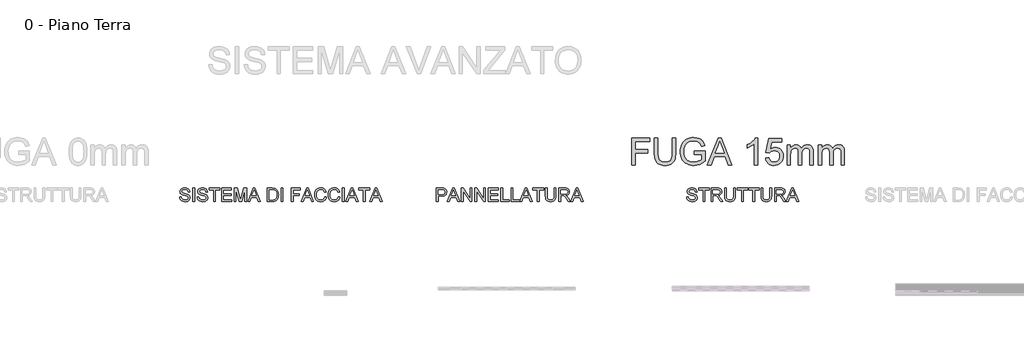
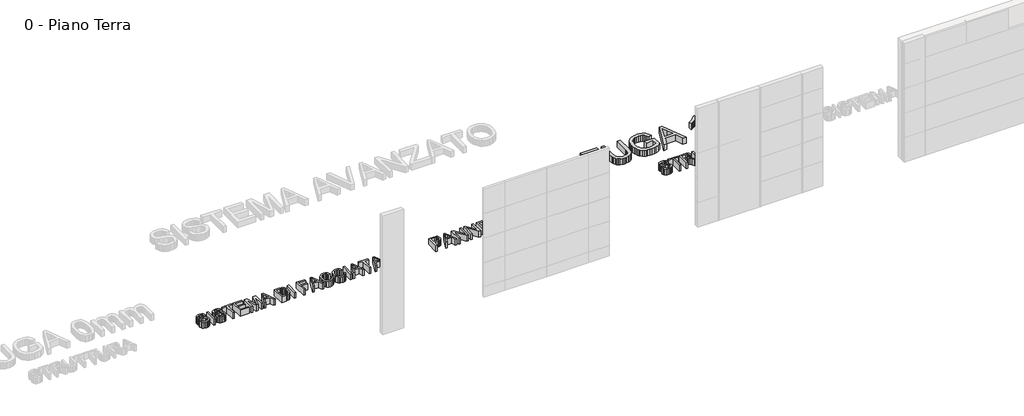
# One storey, part 16 of 17: 4 proxies.
"""IFC4 building model written with IfcOpenShell, lengths in millimetres."""

from ifc_helpers import new_model, si_unit, origin, origin_with_axes, place, context, project, spatial, polyline, outline, extrude, element, save

model = new_model("IFC4")

# Units and contexts
model_context = context("Model", 3, world=origin())
ifc_project = project(units=[si_unit("LENGTHUNIT", "METRE", prefix="MILLI")], contexts=[model_context])

# Site, building, storey
site = spatial("IfcSite", under=ifc_project)
building = spatial("IfcBuilding", under=site)
storey = spatial("IfcBuildingStorey", under=building, Name="0 - Piano Terra", Elevation=0.0)

# Proxies
placement = place(None, origin())
element("IfcBuildingElementProxy", 1, Name="Testo modello 1", ObjectType="Testo modello 1", at=placement, inside=storey, context=model_context, shape_type="SweptSolid", body=[
    extrude(outline(polyline([(6682.9112396, 14068.917457), (6682.9112396, 14659.6866878), (7079.8343165, 14659.6866878), (7079.8343165, 14585.8405339), (6756.7573935, 14585.8405339), (6756.7573935, 14410.4559185), (7033.6804704, 14410.4559185), (7033.6804704, 14336.6097647), (6756.7573935, 14336.6097647), (6756.7573935, 14068.917457), (6682.9112396, 14068.917457)])), origin_with_axes(), (0.0, 0.0, 1.0), 150.0),
    extrude(outline(polyline([(7569.0650858, 14659.6866878), (7642.9112396, 14659.6866878), (7642.9112396, 14318.8693801), (7637.8992204, 14239.0556782), (7631.6341963, 14206.0313392), (7622.8631627, 14177.5953416), (7610.8289079, 14152.6704618), (7594.7742204, 14130.1794762), (7574.6991002, 14110.1223849), (7550.6035473, 14092.4991878), (7522.4605185, 14078.143719), (7490.2429704, 14067.8898128), (7453.9509031, 14061.737469), (7413.5843165, 14059.6866878), (7374.2138238, 14061.4715435), (7338.6023454, 14066.8261109), (7306.7498814, 14075.7503897), (7278.6564319, 14088.2443801), (7254.3174896, 14104.1232863), (7233.7285473, 14123.2023128), (7216.889605, 14145.4814594), (7203.8006627, 14170.9607262), (7193.9884632, 14200.5145123), (7186.9797492, 14235.0172166), (7181.3727781, 14318.8693801), (7181.3727781, 14659.6866878), (7255.2189319, 14659.6866878), (7255.2189319, 14321.4655339), (7258.8607588, 14255.1013512), (7269.7862396, 14208.8934185), (7278.3769848, 14191.8606661), (7289.5819127, 14176.8922166), (7303.4010233, 14163.98807), (7319.8343165, 14153.1482262), (7359.2814319, 14138.4366878), (7406.6612396, 14133.5328416), (7447.3613598, 14135.9577214), (7481.7694127, 14143.2323609), (7509.8853983, 14155.3567599), (7531.7093165, 14172.3309185), (7548.0524656, 14196.2011109), (7559.7261435, 14229.0136109), (7566.7303502, 14270.7684185), (7569.0650858, 14321.4655339), (7569.0650858, 14659.6866878)])), origin_with_axes(), (0.0, 0.0, 1.0), 150.0),
    extrude(outline(polyline([(8049.0650858, 14299.6866878), (8049.0650858, 14373.5328416), (8289.0650858, 14373.5328416), (8289.0650858, 14152.7155339), (8230.7417685, 14112.1506301), (8170.5795088, 14083.0520724), (8108.7225377, 14065.5280339), (8045.3150858, 14059.6866878), (8002.897718, 14062.0079017), (7962.4725377, 14068.9715435), (7924.0395449, 14080.5776133), (7887.5987396, 14096.8261109), (7854.326504, 14117.4736469), (7825.3992204, 14142.276832), (7800.8168887, 14171.2356661), (7780.5795088, 14204.3501493), (7764.772718, 14240.5610868), (7753.4821531, 14278.8092839), (7746.7078141, 14319.0947407), (7744.4497012, 14361.417457), (7746.6987997, 14403.7446806), (7753.4460954, 14444.620582), (7764.6915882, 14484.0451613), (7780.4352781, 14522.0184185), (7800.397718, 14556.8726854), (7824.2994608, 14586.9402935), (7852.1405064, 14612.2212431), (7883.920855, 14632.7155339), (7918.9509031, 14648.5538753), (7956.5410473, 14659.8669762), (7996.6912877, 14666.6548368), (8039.4016242, 14668.917457), (8100.2309512, 14663.6710628), (8154.9304704, 14647.9318801), (8200.9941723, 14622.8357262), (8219.8478382, 14607.2047166), (8235.9160473, 14589.5184185), (8261.7513838, 14546.3753897), (8280.5554704, 14491.8020724), (8212.4785473, 14472.6193801), (8197.28023, 14511.5436589), (8178.8006627, 14540.9126493), (8154.3535473, 14563.0520724), (8121.2525858, 14580.2876493), (8081.7874415, 14591.3753897), (8038.2477781, 14595.0713032), (7987.28023, 14591.0869282), (7943.7045088, 14579.1338032), (7907.6828742, 14560.7083224), (7879.3775858, 14537.3068801), (7857.6528262, 14510.1374089), (7841.3727781, 14480.4078416), (7824.0650858, 14424.6626493), (7818.295855, 14364.4463032), (7820.0311314, 14327.5728056), (7825.2369608, 14293.8273128), (7833.913343, 14263.2098248), (7846.0602781, 14235.7203416), (7861.5200137, 14211.4625291), (7880.1347973, 14190.5400532), (7901.904629, 14172.9529137), (7926.8295088, 14158.7011109), (7953.7420689, 14147.6899931), (7981.4749415, 14139.8249089), (8010.0281266, 14135.1058584), (8039.4016242, 14133.5328416), (8090.5494608, 14138.2744282), (8140.4352781, 14152.4991878), (8183.7585954, 14172.0965435), (8215.2189319, 14192.9559185), (8215.2189319, 14299.6866878), (8049.0650858, 14299.6866878)])), origin_with_axes(), (0.0, 0.0, 1.0), 150.0),
    extrude(outline(polyline([(8340.2670088, 14068.917457), (8576.0843165, 14659.6866878), (8638.9689319, 14659.6866878), (8874.7862396, 14068.917457), (8796.7573935, 14068.917457), (8729.1131627, 14253.5328416), (8485.795855, 14253.5328416), (8418.295855, 14068.917457), (8340.2670088, 14068.917457)]), holes=[polyline([(8512.9112396, 14327.3789955), (8702.1420088, 14327.3789955), (8648.920855, 14472.6193801), (8607.5266242, 14585.8405339), (8570.7477781, 14485.3116878), (8512.9112396, 14327.3789955)])]), origin_with_axes(), (0.0, 0.0, 1.0), 150.0),
    extrude(outline(polyline([(9433.6804704, 14068.917457), (9359.8343165, 14068.917457), (9359.8343165, 14529.3020724), (9329.0049896, 14504.3681782), (9289.8823935, 14479.4703416), (9248.8126819, 14457.7095243), (9212.1420088, 14442.1866878), (9212.1420088, 14511.9943801), (9270.1408069, 14543.5448609), (9320.3872012, 14581.0809185), (9359.9965762, 14620.9967839), (9386.0843165, 14659.6866878), (9433.6804704, 14659.6866878), (9433.6804704, 14068.917457)])), origin_with_axes(), (0.0, 0.0, 1.0), 150.0),
    extrude(outline(polyline([(9609.0650858, 14225.8405339), (9682.9112396, 14235.0713032), (9688.4280665, 14211.33182), (9696.4689319, 14190.7383705), (9707.0338358, 14173.2909546), (9720.1227781, 14158.9895724), (9735.7087156, 14147.8522527), (9753.764605, 14139.8970243), (9774.2904463, 14135.1238873), (9797.2862396, 14133.5328416), (9825.4112396, 14135.7458825), (9850.2189319, 14142.3850051), (9871.7093165, 14153.4502094), (9889.8823935, 14168.9414955), (9904.3325137, 14188.0926373), (9914.6540281, 14210.1374089), (9920.8469367, 14235.0758104), (9922.9112396, 14262.9078416), (9920.9776459, 14289.2119282), (9915.1768646, 14312.5953416), (9905.5088959, 14333.058082), (9891.9737396, 14350.6001493), (9874.5263238, 14364.6716637), (9853.1215762, 14374.7227455), (9827.7594968, 14380.7533945), (9798.4400858, 14382.7636109), (9762.6167685, 14379.5544762), (9733.608355, 14369.9270724), (9710.4412877, 14355.1794762), (9692.1420088, 14336.6097647), (9618.295855, 14345.8405339), (9682.9112396, 14650.4559185), (9969.0650858, 14650.4559185), (9969.0650858, 14576.6097647), (9742.6227781, 14576.6097647), (9711.0362396, 14413.917457), (9737.0969367, 14432.5953416), (9763.7886435, 14445.9366878), (9791.1113598, 14453.9414955), (9819.0650858, 14456.6097647), (9855.0281266, 14453.3014714), (9888.06148, 14443.3765916), (9918.1651459, 14426.8351253), (9945.3391242, 14403.6770724), (9967.834617, 14375.3176974), (9983.9028262, 14343.1722647), (9993.5437516, 14307.2407743), (9996.7573935, 14267.5232262), (9993.8637637, 14229.2660147), (9985.1828742, 14193.6770724), (9970.7147252, 14160.7563993), (9950.4593165, 14130.5039955), (9919.7742204, 14099.5214234), (9883.9689319, 14077.3910147), (9843.0434512, 14064.1127695), (9796.9977781, 14059.6866878), (9758.8893045, 14062.5307383), (9724.46773, 14071.0628897), (9693.7330545, 14085.2831421), (9666.6852781, 14105.1914955), (9644.1807709, 14129.7963633), (9627.0759031, 14158.1061589), (9615.3706747, 14190.1208825), (9609.0650858, 14225.8405339)])), origin_with_axes(), (0.0, 0.0, 1.0), 150.0),
    extrude(outline(polyline([(10079.8343165, 14068.917457), (10079.8343165, 14502.7636109), (10153.6804704, 14502.7636109), (10153.6804704, 14431.3693801), (10175.8920088, 14464.1638512), (10204.4497012, 14489.854957), (10238.3799896, 14506.4595243), (10276.7093165, 14511.9943801), (10317.7790281, 14506.3513512), (10335.2579944, 14499.2975652), (10350.6997012, 14489.4222647), (10375.2910473, 14462.3249089), (10391.3727781, 14426.1770724), (10418.2898454, 14463.7221445), (10448.9929704, 14490.5400532), (10483.4821531, 14506.6307984), (10521.7573935, 14511.9943801), (10551.3201939, 14509.7633104), (10577.2682108, 14503.0701012), (10599.6014439, 14491.9147527), (10618.3198935, 14476.2972647), (10633.1170689, 14456.0373488), (10643.68648, 14430.9547166), (10650.0281266, 14401.0493681), (10652.1420088, 14366.3213032), (10652.1420088, 14068.917457), (10578.295855, 14068.917457), (10578.295855, 14334.5905339), (10576.5831146, 14371.4234666), (10571.4448935, 14396.2491878), (10561.8174896, 14413.2503897), (10546.6372012, 14426.6097647), (10527.1119608, 14435.2636109), (10504.4497012, 14438.1482262), (10483.522718, 14436.3002695), (10464.4436915, 14430.7563993), (10447.2126218, 14421.5166157), (10431.8295088, 14408.5809185), (10419.1777661, 14391.5707022), (10410.1408069, 14370.1073609), (10404.7186314, 14344.1908945), (10402.9112396, 14313.8213032), (10402.9112396, 14068.917457), (10329.0650858, 14068.917457), (10329.0650858, 14342.8116878), (10324.7922492, 14384.5664955), (10311.9737396, 14414.3501493), (10302.0623814, 14424.761808), (10289.4196531, 14432.198707), (10274.0455545, 14436.6608464), (10255.9400858, 14438.1482262), (10227.4905665, 14434.1818801), (10201.2766242, 14422.2828416), (10179.6420088, 14402.7395724), (10164.9304704, 14375.8405339), (10156.4929704, 14338.5208224), (10153.6804704, 14287.7155339), (10153.6804704, 14068.917457), (10079.8343165, 14068.917457)])), origin_with_axes(), (0.0, 0.0, 1.0), 150.0),
    extrude(outline(polyline([(10762.9112396, 14068.917457), (10762.9112396, 14502.7636109), (10836.7573935, 14502.7636109), (10836.7573935, 14431.3693801), (10858.9689319, 14464.1638512), (10887.5266242, 14489.854957), (10921.4569127, 14506.4595243), (10959.7862396, 14511.9943801), (11000.8559512, 14506.3513512), (11018.3349175, 14499.2975652), (11033.7766242, 14489.4222647), (11058.3679704, 14462.3249089), (11074.4497012, 14426.1770724), (11101.3667685, 14463.7221445), (11132.0698935, 14490.5400532), (11166.5590762, 14506.6307984), (11204.8343165, 14511.9943801), (11234.397117, 14509.7633104), (11260.3451338, 14503.0701012), (11282.678367, 14491.9147527), (11301.3968165, 14476.2972647), (11316.193992, 14456.0373488), (11326.7634031, 14430.9547166), (11333.1050497, 14401.0493681), (11335.2189319, 14366.3213032), (11335.2189319, 14068.917457), (11261.3727781, 14068.917457), (11261.3727781, 14334.5905339), (11259.6600377, 14371.4234666), (11254.5218165, 14396.2491878), (11244.8944127, 14413.2503897), (11229.7141242, 14426.6097647), (11210.1888838, 14435.2636109), (11187.5266242, 14438.1482262), (11166.5996411, 14436.3002695), (11147.5206146, 14430.7563993), (11130.2895449, 14421.5166157), (11114.9064319, 14408.5809185), (11102.2546891, 14391.5707022), (11093.21773, 14370.1073609), (11087.7955545, 14344.1908945), (11085.9881627, 14313.8213032), (11085.9881627, 14068.917457), (11012.1420088, 14068.917457), (11012.1420088, 14342.8116878), (11007.8691723, 14384.5664955), (10995.0506627, 14414.3501493), (10985.1393045, 14424.761808), (10972.4965762, 14432.198707), (10957.1224776, 14436.6608464), (10939.0170088, 14438.1482262), (10910.5674896, 14434.1818801), (10884.3535473, 14422.2828416), (10862.7189319, 14402.7395724), (10848.0073935, 14375.8405339), (10839.5698935, 14338.5208224), (10836.7573935, 14287.7155339), (10836.7573935, 14068.917457), (10762.9112396, 14068.917457)])), origin_with_axes(), (0.0, 0.0, 1.0), 150.0),
])
element("IfcBuildingElementProxy", 2, Name="Testo modello 2", ObjectType="Testo modello 2", at=placement, inside=storey, context=model_context, shape_type="SweptSolid", body=[
    extrude(outline(polyline([(7885.7722411, 13370.4559185), (7922.695318, 13370.4559185), (7926.9320969, 13349.9661349), (7934.5943565, 13333.4967839), (7946.5474815, 13320.4258705), (7963.6568565, 13310.1313993), (7984.570318, 13303.4517118), (8007.9357026, 13301.2251493), (8028.5066161, 13302.9108464), (8046.5174334, 13307.9679378), (8061.1117844, 13315.9727455), (8071.4332988, 13326.5015916), (8077.5721209, 13338.589933), (8079.6183949, 13351.2732262), (8078.085943, 13363.6320003), (8073.4885872, 13374.3140916), (8064.1496449, 13383.4276734), (8048.3924334, 13391.0809185), (7994.6304142, 13405.1794762), (7959.3389478, 13414.5094041), (7936.757818, 13423.3886109), (7918.3774094, 13435.8104859), (7905.351568, 13450.8645724), (7897.5901497, 13468.2263512), (7895.0030103, 13487.5713032), (7898.2031305, 13509.1969041), (7907.8034911, 13529.3621685), (7923.5516882, 13546.4535147), (7945.195318, 13558.8573609), (7971.1748853, 13566.402433), (7999.9308949, 13568.917457), (8031.0847411, 13566.2852455), (8058.3443565, 13558.3886109), (8080.7361834, 13545.3898128), (8097.2866642, 13527.4511109), (8107.7614238, 13505.6902935), (8111.9260872, 13481.2251493), (8075.0030103, 13481.2251493), (8068.2241642, 13503.2563993), (8054.0895488, 13519.1578416), (8032.0042122, 13528.7852455), (8001.3732026, 13531.9943801), (7970.0210392, 13528.8213032), (7948.5126257, 13519.3020724), (7936.0727219, 13505.2936589), (7931.9260872, 13488.6530339), (7934.8647892, 13474.464332), (7943.6808949, 13463.0520724), (7964.5222411, 13452.8477455), (8003.9693565, 13442.4270724), (8069.3058949, 13423.8934185), (8090.3545728, 13410.4979859), (8105.039068, 13393.9655339), (8113.6658709, 13374.4763512), (8116.5414719, 13352.2107262), (8113.2331786, 13329.449308), (8103.3082988, 13308.0400532), (8087.1724815, 13289.6145724), (8065.2313757, 13275.8044762), (8038.8461594, 13267.1776734), (8009.3780103, 13264.3020724), (7973.2031305, 13267.4030339), (7943.4284911, 13276.7059185), (7919.711544, 13292.2467839), (7901.7097411, 13314.0616878), (7890.1532507, 13340.636207), (7885.7722411, 13370.4559185)])), origin_with_axes(), (0.0, 0.0, 1.0), 150.0),
    extrude(outline(polyline([(8245.7722411, 13268.917457), (8245.7722411, 13527.3789955), (8148.8491642, 13527.3789955), (8148.8491642, 13564.3020724), (8379.6183949, 13564.3020724), (8379.6183949, 13527.3789955), (8282.695318, 13527.3789955), (8282.695318, 13268.917457), (8245.7722411, 13268.917457)])), origin_with_axes(), (0.0, 0.0, 1.0), 150.0),
    extrude(outline(polyline([(8421.1568565, 13268.917457), (8421.1568565, 13564.3020724), (8548.4405103, 13564.3020724), (8582.6502459, 13562.3098849), (8607.539068, 13556.3333224), (8625.7301738, 13545.2996685), (8639.8467603, 13528.136207), (8648.9062555, 13506.8531541), (8651.9260872, 13483.4607262), (8646.9230824, 13454.3621685), (8631.914068, 13430.2395724), (8620.5446269, 13420.409344), (8606.4483228, 13412.5532743), (8570.0751257, 13402.7636109), (8591.0607026, 13386.9703416), (8620.9885872, 13348.9655339), (8670.2433949, 13268.917457), (8627.3347411, 13268.917457), (8588.8972411, 13330.1434185), (8561.132818, 13370.6722647), (8541.6256065, 13389.8188993), (8524.0655103, 13396.8501493), (8502.6472411, 13398.1482262), (8458.0799334, 13398.1482262), (8458.0799334, 13268.917457), (8421.1568565, 13268.917457)]), holes=[polyline([(8458.0799334, 13435.0713032), (8540.7241642, 13435.0713032), (8564.4591401, 13436.3783945), (8582.8756065, 13440.2996685), (8596.7397892, 13447.0965435), (8606.8179142, 13457.0304378), (8612.9567363, 13469.0466637), (8615.0030103, 13482.0905339), (8611.0997651, 13500.1013512), (8599.3900295, 13514.6145724), (8579.242794, 13524.1878897), (8550.0270488, 13527.3789955), (8458.0799334, 13527.3789955), (8458.0799334, 13435.0713032)])]), origin_with_axes(), (0.0, 0.0, 1.0), 150.0),
    extrude(outline(polyline([(8910.3876257, 13564.3020724), (8947.3107026, 13564.3020724), (8947.3107026, 13393.8934185), (8944.804693, 13353.9865676), (8937.2866642, 13323.2563993), (8923.242193, 13299.5484666), (8901.1568565, 13280.7083224), (8870.976568, 13268.4036349), (8832.6472411, 13264.3020724), (8795.1562555, 13267.8717839), (8765.1832988, 13278.5809185), (8742.7193565, 13296.0598849), (8727.7554142, 13319.9390916), (8719.3449574, 13351.9673368), (8716.5414719, 13393.8934185), (8716.5414719, 13564.3020724), (8753.4645488, 13564.3020724), (8753.4645488, 13395.1914955), (8755.2854622, 13362.0094041), (8760.7482026, 13338.9054378), (8770.6460392, 13322.9048368), (8785.7722411, 13311.0328416), (8805.4957988, 13303.6770724), (8829.1857026, 13301.2251493), (8866.7397892, 13306.0749089), (8880.7977819, 13312.1371084), (8891.7097411, 13320.6241878), (8899.8813156, 13332.5592839), (8905.7181545, 13348.9655339), (8910.3876257, 13395.1914955), (8910.3876257, 13564.3020724)])), origin_with_axes(), (0.0, 0.0, 1.0), 150.0),
    extrude(outline(polyline([(9085.7722411, 13268.917457), (9085.7722411, 13527.3789955), (8988.8491642, 13527.3789955), (8988.8491642, 13564.3020724), (9219.6183949, 13564.3020724), (9219.6183949, 13527.3789955), (9122.695318, 13527.3789955), (9122.695318, 13268.917457), (9085.7722411, 13268.917457)])), origin_with_axes(), (0.0, 0.0, 1.0), 150.0),
    extrude(outline(polyline([(9335.0030103, 13268.917457), (9335.0030103, 13527.3789955), (9238.0799334, 13527.3789955), (9238.0799334, 13564.3020724), (9468.8491642, 13564.3020724), (9468.8491642, 13527.3789955), (9371.9260872, 13527.3789955), (9371.9260872, 13268.917457), (9335.0030103, 13268.917457)])), origin_with_axes(), (0.0, 0.0, 1.0), 150.0),
    extrude(outline(polyline([(9704.2337795, 13564.3020724), (9741.1568565, 13564.3020724), (9741.1568565, 13393.8934185), (9738.6508469, 13353.9865676), (9731.132818, 13323.2563993), (9717.0883469, 13299.5484666), (9695.0030103, 13280.7083224), (9664.8227219, 13268.4036349), (9626.4933949, 13264.3020724), (9589.0024094, 13267.8717839), (9559.0294526, 13278.5809185), (9536.5655103, 13296.0598849), (9521.601568, 13319.9390916), (9513.1911113, 13351.9673368), (9510.3876257, 13393.8934185), (9510.3876257, 13564.3020724), (9547.3107026, 13564.3020724), (9547.3107026, 13395.1914955), (9549.1316161, 13362.0094041), (9554.5943565, 13338.9054378), (9564.492193, 13322.9048368), (9579.6183949, 13311.0328416), (9599.3419526, 13303.6770724), (9623.0318565, 13301.2251493), (9660.585943, 13306.0749089), (9674.6439358, 13312.1371084), (9685.5558949, 13320.6241878), (9693.7274694, 13332.5592839), (9699.5643084, 13348.9655339), (9704.2337795, 13395.1914955), (9704.2337795, 13564.3020724)])), origin_with_axes(), (0.0, 0.0, 1.0), 150.0),
    extrude(outline(polyline([(9805.7722411, 13268.917457), (9805.7722411, 13564.3020724), (9933.0558949, 13564.3020724), (9967.2656305, 13562.3098849), (9992.1544526, 13556.3333224), (10010.3455584, 13545.2996685), (10024.4621449, 13528.136207), (10033.5216401, 13506.8531541), (10036.5414719, 13483.4607262), (10031.538467, 13454.3621685), (10016.5294526, 13430.2395724), (10005.1600115, 13420.409344), (9991.0637074, 13412.5532743), (9954.6905103, 13402.7636109), (9975.6760872, 13386.9703416), (10005.6039719, 13348.9655339), (10054.8587795, 13268.917457), (10011.9501257, 13268.917457), (9973.5126257, 13330.1434185), (9945.7482026, 13370.6722647), (9926.2409911, 13389.8188993), (9908.6808949, 13396.8501493), (9887.2626257, 13398.1482262), (9842.695318, 13398.1482262), (9842.695318, 13268.917457), (9805.7722411, 13268.917457)]), holes=[polyline([(9842.695318, 13435.0713032), (9925.3395488, 13435.0713032), (9949.0745247, 13436.3783945), (9967.4909911, 13440.2996685), (9981.3551738, 13447.0965435), (9991.4332988, 13457.0304378), (9997.5721209, 13469.0466637), (9999.6183949, 13482.0905339), (9995.7151497, 13500.1013512), (9984.0054142, 13514.6145724), (9963.8581786, 13524.1878897), (9934.6424334, 13527.3789955), (9842.695318, 13527.3789955), (9842.695318, 13435.0713032)])]), origin_with_axes(), (0.0, 0.0, 1.0), 150.0),
    extrude(outline(polyline([(10066.757818, 13268.917457), (10184.6664719, 13564.3020724), (10216.1087795, 13564.3020724), (10334.0174334, 13268.917457), (10295.0030103, 13268.917457), (10261.1808949, 13361.2251493), (10139.5222411, 13361.2251493), (10105.7722411, 13268.917457), (10066.757818, 13268.917457)]), holes=[polyline([(10153.0799334, 13398.1482262), (10247.695318, 13398.1482262), (10221.0847411, 13470.7684185), (10200.3876257, 13527.3789955), (10181.9982026, 13477.1145724), (10153.0799334, 13398.1482262)])]), origin_with_axes(), (0.0, 0.0, 1.0), 150.0),
])
element("IfcBuildingElementProxy", 3, Name="Testo modello 2", ObjectType="Testo modello 2", at=placement, inside=storey, context=model_context, shape_type="SweptSolid", body=[
    extrude(outline(polyline([(-3204.0118373, 13370.4559185), (-3167.0887604, 13370.4559185), (-3162.8519815, 13349.9661349), (-3155.1897219, 13333.4967839), (-3143.2365969, 13320.4258705), (-3126.1272219, 13310.1313993), (-3105.2137604, 13303.4517118), (-3081.8483758, 13301.2251493), (-3061.2774623, 13302.9108464), (-3043.266645, 13307.9679378), (-3028.672294, 13315.9727455), (-3018.3507796, 13326.5015916), (-3012.2119575, 13338.589933), (-3010.1656835, 13351.2732262), (-3011.6981354, 13363.6320003), (-3016.2954912, 13374.3140916), (-3025.6344335, 13383.4276734), (-3041.391645, 13391.0809185), (-3095.1536642, 13405.1794762), (-3130.4451306, 13414.5094041), (-3153.0262604, 13423.3886109), (-3171.406669, 13435.8104859), (-3184.4325104, 13450.8645724), (-3192.1939287, 13468.2263512), (-3194.7810681, 13487.5713032), (-3191.5809479, 13509.1969041), (-3181.9805873, 13529.3621685), (-3166.2323902, 13546.4535147), (-3144.5887604, 13558.8573609), (-3118.6091931, 13566.402433), (-3089.8531835, 13568.917457), (-3058.6993373, 13566.2852455), (-3031.4397219, 13558.3886109), (-3009.047895, 13545.3898128), (-2992.4974142, 13527.4511109), (-2982.0226546, 13505.6902935), (-2977.8579912, 13481.2251493), (-3014.7810681, 13481.2251493), (-3021.5599142, 13503.2563993), (-3035.6945296, 13519.1578416), (-3057.7798662, 13528.7852455), (-3088.4108758, 13531.9943801), (-3119.7630392, 13528.8213032), (-3141.2714527, 13519.3020724), (-3153.7113565, 13505.2936589), (-3157.8579912, 13488.6530339), (-3154.9192892, 13474.464332), (-3146.1031835, 13463.0520724), (-3125.2618373, 13452.8477455), (-3085.8147219, 13442.4270724), (-3020.4781835, 13423.8934185), (-2999.4295056, 13410.4979859), (-2984.7450104, 13393.9655339), (-2976.1182075, 13374.4763512), (-2973.2426065, 13352.2107262), (-2976.5508998, 13329.449308), (-2986.4757796, 13308.0400532), (-3002.6115969, 13289.6145724), (-3024.5527027, 13275.8044762), (-3050.937919, 13267.1776734), (-3080.4060681, 13264.3020724), (-3116.5809479, 13267.4030339), (-3146.3555873, 13276.7059185), (-3170.0725344, 13292.2467839), (-3188.0743373, 13314.0616878), (-3199.6308277, 13340.636207), (-3204.0118373, 13370.4559185)])), origin_with_axes(), (0.0, 0.0, 1.0), 150.0),
    extrude(outline(polyline([(-2913.2426065, 13268.917457), (-2913.2426065, 13564.3020724), (-2876.3195296, 13564.3020724), (-2876.3195296, 13268.917457), (-2913.2426065, 13268.917457)])), origin_with_axes(), (0.0, 0.0, 1.0), 150.0),
    extrude(outline(polyline([(-2816.3195296, 13370.4559185), (-2779.3964527, 13370.4559185), (-2775.1596738, 13349.9661349), (-2767.4974142, 13333.4967839), (-2755.5442892, 13320.4258705), (-2738.4349142, 13310.1313993), (-2717.5214527, 13303.4517118), (-2694.1560681, 13301.2251493), (-2673.5851546, 13302.9108464), (-2655.5743373, 13307.9679378), (-2640.9799863, 13315.9727455), (-2630.6584719, 13326.5015916), (-2624.5196498, 13338.589933), (-2622.4733758, 13351.2732262), (-2624.0058277, 13363.6320003), (-2628.6031835, 13374.3140916), (-2637.9421258, 13383.4276734), (-2653.6993373, 13391.0809185), (-2707.4613565, 13405.1794762), (-2742.7528229, 13414.5094041), (-2765.3339527, 13423.3886109), (-2783.7143613, 13435.8104859), (-2796.7402027, 13450.8645724), (-2804.501621, 13468.2263512), (-2807.0887604, 13487.5713032), (-2803.8886402, 13509.1969041), (-2794.2882796, 13529.3621685), (-2778.5400825, 13546.4535147), (-2756.8964527, 13558.8573609), (-2730.9168854, 13566.402433), (-2702.1608758, 13568.917457), (-2671.0070296, 13566.2852455), (-2643.7474142, 13558.3886109), (-2621.3555873, 13545.3898128), (-2604.8051065, 13527.4511109), (-2594.3303469, 13505.6902935), (-2590.1656835, 13481.2251493), (-2627.0887604, 13481.2251493), (-2633.8676065, 13503.2563993), (-2648.0022219, 13519.1578416), (-2670.0875585, 13528.7852455), (-2700.7185681, 13531.9943801), (-2732.0707315, 13528.8213032), (-2753.579145, 13519.3020724), (-2766.0190488, 13505.2936589), (-2770.1656835, 13488.6530339), (-2767.2269815, 13474.464332), (-2758.4108758, 13463.0520724), (-2737.5695296, 13452.8477455), (-2698.1224142, 13442.4270724), (-2632.7858758, 13423.8934185), (-2611.7371979, 13410.4979859), (-2597.0527027, 13393.9655339), (-2588.4258998, 13374.4763512), (-2585.5502988, 13352.2107262), (-2588.8585921, 13329.449308), (-2598.7834719, 13308.0400532), (-2614.9192892, 13289.6145724), (-2636.860395, 13275.8044762), (-2663.2456113, 13267.1776734), (-2692.7137604, 13264.3020724), (-2728.8886402, 13267.4030339), (-2758.6632796, 13276.7059185), (-2782.3802267, 13292.2467839), (-2800.3820296, 13314.0616878), (-2811.93852, 13340.636207), (-2816.3195296, 13370.4559185)])), origin_with_axes(), (0.0, 0.0, 1.0), 150.0),
    extrude(outline(polyline([(-2456.3195296, 13268.917457), (-2456.3195296, 13527.3789955), (-2553.2426065, 13527.3789955), (-2553.2426065, 13564.3020724), (-2322.4733758, 13564.3020724), (-2322.4733758, 13527.3789955), (-2419.3964527, 13527.3789955), (-2419.3964527, 13268.917457), (-2456.3195296, 13268.917457)])), origin_with_axes(), (0.0, 0.0, 1.0), 150.0),
    extrude(outline(polyline([(-2280.9349142, 13268.917457), (-2280.9349142, 13564.3020724), (-2068.6272219, 13564.3020724), (-2068.6272219, 13527.3789955), (-2244.0118373, 13527.3789955), (-2244.0118373, 13439.6866878), (-2077.8579912, 13439.6866878), (-2077.8579912, 13402.7636109), (-2244.0118373, 13402.7636109), (-2244.0118373, 13305.8405339), (-2064.0118373, 13305.8405339), (-2064.0118373, 13268.917457), (-2280.9349142, 13268.917457)])), origin_with_axes(), (0.0, 0.0, 1.0), 150.0),
    extrude(outline(polyline([(-2008.6272219, 13268.917457), (-2008.6272219, 13564.3020724), (-1945.0935681, 13564.3020724), (-1884.6608758, 13356.104957), (-1872.4733758, 13312.6193801), (-1859.2762604, 13359.7107262), (-1799.8531835, 13564.3020724), (-1736.3195296, 13564.3020724), (-1736.3195296, 13268.917457), (-1773.2426065, 13268.917457), (-1773.2426065, 13527.3789955), (-1847.4493373, 13268.917457), (-1897.4974142, 13268.917457), (-1971.704145, 13527.3789955), (-1971.704145, 13268.917457), (-2008.6272219, 13268.917457)])), origin_with_axes(), (0.0, 0.0, 1.0), 150.0),
    extrude(outline(polyline([(-1706.1031835, 13268.917457), (-1588.1945296, 13564.3020724), (-1556.7522219, 13564.3020724), (-1438.8435681, 13268.917457), (-1477.8579912, 13268.917457), (-1511.6801065, 13361.2251493), (-1633.3387604, 13361.2251493), (-1667.0887604, 13268.917457), (-1706.1031835, 13268.917457)]), holes=[polyline([(-1619.7810681, 13398.1482262), (-1525.1656835, 13398.1482262), (-1551.7762604, 13470.7684185), (-1572.4733758, 13527.3789955), (-1590.8627988, 13477.1145724), (-1619.7810681, 13398.1482262)])]), origin_with_axes(), (0.0, 0.0, 1.0), 150.0),
    extrude(outline(polyline([(-1284.0118373, 13268.917457), (-1284.0118373, 13564.3020724), (-1182.1127988, 13564.3020724), (-1129.3964527, 13560.0472647), (-1105.8507796, 13551.8441397), (-1085.9829912, 13538.917457), (-1065.5563085, 13516.417457), (-1051.0070296, 13488.4366878), (-1042.2990969, 13455.5160147), (-1039.3964527, 13418.1963032), (-1041.3615969, 13386.4925772), (-1047.2570296, 13358.5929378), (-1056.235395, 13334.839933), (-1067.4493373, 13315.5761109), (-1080.3579912, 13300.3687791), (-1094.4204912, 13288.7852455), (-1110.5653229, 13280.1945003), (-1129.7209719, 13273.9655339), (-1177.2089527, 13268.917457), (-1284.0118373, 13268.917457)]), holes=[polyline([(-1247.0887604, 13305.8405339), (-1181.7522219, 13305.8405339), (-1154.7269815, 13307.1746685), (-1134.2281835, 13311.1770724), (-1118.7594335, 13317.6133705), (-1106.8243373, 13326.2491878), (-1093.9968133, 13342.2317599), (-1084.360395, 13362.9198609), (-1078.329746, 13388.4036349), (-1076.3195296, 13418.7732262), (-1080.2588325, 13459.0136109), (-1092.0767412, 13488.7251493), (-1109.5376787, 13509.1338032), (-1130.4060681, 13521.4655339), (-1151.6440488, 13525.9006301), (-1182.7618373, 13527.3789955), (-1247.0887604, 13527.3789955), (-1247.0887604, 13305.8405339)])]), origin_with_axes(), (0.0, 0.0, 1.0), 150.0),
    extrude(outline(polyline([(-984.0118373, 13268.917457), (-984.0118373, 13564.3020724), (-947.0887604, 13564.3020724), (-947.0887604, 13268.917457), (-984.0118373, 13268.917457)])), origin_with_axes(), (0.0, 0.0, 1.0), 150.0),
    extrude(outline(polyline([(-757.8579912, 13268.917457), (-757.8579912, 13564.3020724), (-559.3964527, 13564.3020724), (-559.3964527, 13527.3789955), (-720.9349142, 13527.3789955), (-720.9349142, 13439.6866878), (-582.4733758, 13439.6866878), (-582.4733758, 13402.7636109), (-720.9349142, 13402.7636109), (-720.9349142, 13268.917457), (-757.8579912, 13268.917457)])), origin_with_axes(), (0.0, 0.0, 1.0), 150.0),
    extrude(outline(polyline([(-543.0262604, 13268.917457), (-425.1176065, 13564.3020724), (-393.6752988, 13564.3020724), (-275.766645, 13268.917457), (-314.7810681, 13268.917457), (-348.6031835, 13361.2251493), (-470.2618373, 13361.2251493), (-504.0118373, 13268.917457), (-543.0262604, 13268.917457)]), holes=[polyline([(-456.704145, 13398.1482262), (-362.0887604, 13398.1482262), (-388.6993373, 13470.7684185), (-409.3964527, 13527.3789955), (-427.7858758, 13477.1145724), (-456.704145, 13398.1482262)])]), origin_with_axes(), (0.0, 0.0, 1.0), 150.0),
    extrude(outline(polyline([(-28.6272219, 13373.917457), (8.295855, 13364.3982262), (0.9896651, 13341.4362371), (-8.7414046, 13321.3723849), (-20.8973541, 13304.2066697), (-35.4781835, 13289.9390916), (-52.1548662, 13278.7228957), (-70.5983758, 13270.7113272), (-90.8087123, 13265.9043861), (-112.7858758, 13264.3020724), (-155.6133998, 13269.151832), (-189.6248181, 13283.7011109), (-215.6945296, 13307.4451012), (-234.6969335, 13339.8789955), (-246.298496, 13378.0100051), (-250.1656835, 13418.8453416), (-245.7936883, 13461.9162551), (-232.6777027, 13499.1097647), (-211.5028229, 13529.244981), (-182.954145, 13551.1410147), (-149.0959719, 13564.4733464), (-111.9926065, 13568.917457), (-71.5088325, 13563.1662551), (-53.8969034, 13555.9772527), (-38.0382796, 13545.9126493), (-24.1943794, 13533.2383705), (-12.626621, 13518.2203416), (3.6804704, 13481.1530339), (-33.2426065, 13472.354957), (-46.0430873, 13499.2810387), (-63.5310681, 13517.7515916), (-85.922895, 13528.433683), (-113.4349142, 13531.9943801), (-145.1476546, 13528.0460628), (-171.1993373, 13516.2011109), (-190.9679671, 13497.7035147), (-203.8315488, 13473.7972647), (-210.8898421, 13446.7720243), (-213.2426065, 13418.917457), (-210.4571498, 13384.8068801), (-202.1007796, 13355.3116878), (-187.8579912, 13331.558683), (-167.4132796, 13314.6746685), (-142.9030633, 13304.5875291), (-116.4637604, 13301.2251493), (-85.6434479, 13305.8044762), (-59.9613565, 13319.542457), (-40.5713325, 13342.2948609), (-28.6272219, 13373.917457)])), origin_with_axes(), (0.0, 0.0, 1.0), 150.0),
    extrude(outline(polyline([(266.7573935, 13373.917457), (303.6804704, 13364.3982262), (296.3742805, 13341.4362371), (286.6432108, 13321.3723849), (274.4872613, 13304.2066697), (259.9064319, 13289.9390916), (243.2297492, 13278.7228957), (224.7862396, 13270.7113272), (204.5759031, 13265.9043861), (182.5987396, 13264.3020724), (139.7712156, 13269.151832), (105.7597973, 13283.7011109), (79.6900858, 13307.4451012), (60.6876819, 13339.8789955), (49.0861194, 13378.0100051), (45.2189319, 13418.8453416), (49.5909271, 13461.9162551), (62.7069127, 13499.1097647), (83.8817925, 13529.244981), (112.4304704, 13551.1410147), (146.2886435, 13564.4733464), (183.3920088, 13568.917457), (223.8757829, 13563.1662551), (241.487712, 13555.9772527), (257.3463358, 13545.9126493), (271.190236, 13533.2383705), (282.7579944, 13518.2203416), (299.0650858, 13481.1530339), (262.1420088, 13472.354957), (249.3415281, 13499.2810387), (231.8535473, 13517.7515916), (209.4617204, 13528.433683), (181.9497012, 13531.9943801), (150.2369608, 13528.0460628), (124.1852781, 13516.2011109), (104.4166483, 13497.7035147), (91.5530665, 13473.7972647), (84.4947733, 13446.7720243), (82.1420088, 13418.917457), (84.9274656, 13384.8068801), (93.2838358, 13355.3116878), (107.5266242, 13331.558683), (127.9713358, 13314.6746685), (152.4815521, 13304.5875291), (178.920855, 13301.2251493), (209.7411675, 13305.8044762), (235.4232588, 13319.542457), (254.8132829, 13342.2948609), (266.7573935, 13373.917457)])), origin_with_axes(), (0.0, 0.0, 1.0), 150.0),
    extrude(outline(polyline([(359.0650858, 13268.917457), (359.0650858, 13564.3020724), (395.9881627, 13564.3020724), (395.9881627, 13268.917457), (359.0650858, 13268.917457)])), origin_with_axes(), (0.0, 0.0, 1.0), 150.0),
    extrude(outline(polyline([(435.4352781, 13268.917457), (553.3439319, 13564.3020724), (584.7862396, 13564.3020724), (702.6948935, 13268.917457), (663.6804704, 13268.917457), (629.858355, 13361.2251493), (508.1997012, 13361.2251493), (474.4497012, 13268.917457), (435.4352781, 13268.917457)]), holes=[polyline([(521.7573935, 13398.1482262), (616.3727781, 13398.1482262), (589.7622012, 13470.7684185), (569.0650858, 13527.3789955), (550.6756627, 13477.1145724), (521.7573935, 13398.1482262)])]), origin_with_axes(), (0.0, 0.0, 1.0), 150.0),
    extrude(outline(polyline([(815.9881627, 13268.917457), (815.9881627, 13527.3789955), (719.0650858, 13527.3789955), (719.0650858, 13564.3020724), (949.8343165, 13564.3020724), (949.8343165, 13527.3789955), (852.9112396, 13527.3789955), (852.9112396, 13268.917457), (815.9881627, 13268.917457)])), origin_with_axes(), (0.0, 0.0, 1.0), 150.0),
    extrude(outline(polyline([(956.9737396, 13268.917457), (1074.8823935, 13564.3020724), (1106.3247012, 13564.3020724), (1224.233355, 13268.917457), (1185.2189319, 13268.917457), (1151.3968165, 13361.2251493), (1029.7381627, 13361.2251493), (995.9881627, 13268.917457), (956.9737396, 13268.917457)]), holes=[polyline([(1043.295855, 13398.1482262), (1137.9112396, 13398.1482262), (1111.3006627, 13470.7684185), (1090.6035473, 13527.3789955), (1072.2141242, 13477.1145724), (1043.295855, 13398.1482262)])]), origin_with_axes(), (0.0, 0.0, 1.0), 150.0),
])
element("IfcBuildingElementProxy", 4, Name="Testo modello 2", ObjectType="Testo modello 2", at=placement, inside=storey, context=model_context, shape_type="SweptSolid", body=[
    extrude(outline(polyline([(2414.4497012, 13268.917457), (2414.4497012, 13564.3020724), (2523.920855, 13564.3020724), (2568.0554704, 13561.4895724), (2587.733956, 13556.2341637), (2603.9328742, 13547.6794762), (2616.9767444, 13535.4378897), (2627.1900858, 13519.1217839), (2633.7886435, 13499.8759907), (2635.9881627, 13478.8453416), (2630.0476579, 13444.0316397), (2622.6220269, 13428.8017719), (2612.2261435, 13415.0232262), (2597.9540581, 13403.6019522), (2578.8998213, 13395.4438993), (2555.0634331, 13390.5490676), (2526.4448935, 13388.917457), (2451.3727781, 13388.917457), (2451.3727781, 13268.917457), (2414.4497012, 13268.917457)]), holes=[polyline([(2451.3727781, 13425.8405339), (2528.608355, 13425.8405339), (2561.3487396, 13429.229957), (2582.983355, 13439.3982262), (2595.0446531, 13455.714332), (2599.0650858, 13477.5472647), (2596.6942925, 13494.1338032), (2589.5819127, 13508.1241878), (2578.6113598, 13518.6530339), (2564.6660473, 13524.854957), (2527.7429704, 13527.3789955), (2451.3727781, 13527.3789955), (2451.3727781, 13425.8405339)])]), origin_with_axes(), (0.0, 0.0, 1.0), 150.0),
    extrude(outline(polyline([(2652.358355, 13268.917457), (2770.2670088, 13564.3020724), (2801.7093165, 13564.3020724), (2919.6179704, 13268.917457), (2880.6035473, 13268.917457), (2846.7814319, 13361.2251493), (2725.1227781, 13361.2251493), (2691.3727781, 13268.917457), (2652.358355, 13268.917457)]), holes=[polyline([(2738.6804704, 13398.1482262), (2833.295855, 13398.1482262), (2806.6852781, 13470.7684185), (2785.9881627, 13527.3789955), (2767.5987396, 13477.1145724), (2738.6804704, 13398.1482262)])]), origin_with_axes(), (0.0, 0.0, 1.0), 150.0),
    extrude(outline(polyline([(2959.0650858, 13268.917457), (2959.0650858, 13564.3020724), (2998.5843165, 13564.3020724), (3152.9112396, 13330.2876493), (3152.9112396, 13564.3020724), (3189.8343165, 13564.3020724), (3189.8343165, 13268.917457), (3150.3150858, 13268.917457), (2995.9881627, 13503.0039955), (2995.9881627, 13268.917457), (2959.0650858, 13268.917457)])), origin_with_axes(), (0.0, 0.0, 1.0), 150.0),
    extrude(outline(polyline([(3254.4497012, 13268.917457), (3254.4497012, 13564.3020724), (3293.9689319, 13564.3020724), (3448.295855, 13330.2876493), (3448.295855, 13564.3020724), (3485.2189319, 13564.3020724), (3485.2189319, 13268.917457), (3445.6997012, 13268.917457), (3291.3727781, 13503.0039955), (3291.3727781, 13268.917457), (3254.4497012, 13268.917457)])), origin_with_axes(), (0.0, 0.0, 1.0), 150.0),
    extrude(outline(polyline([(3549.8343165, 13268.917457), (3549.8343165, 13564.3020724), (3762.1420088, 13564.3020724), (3762.1420088, 13527.3789955), (3586.7573935, 13527.3789955), (3586.7573935, 13439.6866878), (3752.9112396, 13439.6866878), (3752.9112396, 13402.7636109), (3586.7573935, 13402.7636109), (3586.7573935, 13305.8405339), (3766.7573935, 13305.8405339), (3766.7573935, 13268.917457), (3549.8343165, 13268.917457)])), origin_with_axes(), (0.0, 0.0, 1.0), 150.0),
    extrude(outline(polyline([(3822.1420088, 13268.917457), (3822.1420088, 13564.3020724), (3859.0650858, 13564.3020724), (3859.0650858, 13305.8405339), (4006.7573935, 13305.8405339), (4006.7573935, 13268.917457), (3822.1420088, 13268.917457)])), origin_with_axes(), (0.0, 0.0, 1.0), 150.0),
    extrude(outline(polyline([(4048.295855, 13268.917457), (4048.295855, 13564.3020724), (4085.2189319, 13564.3020724), (4085.2189319, 13305.8405339), (4232.9112396, 13305.8405339), (4232.9112396, 13268.917457), (4048.295855, 13268.917457)])), origin_with_axes(), (0.0, 0.0, 1.0), 150.0),
    extrude(outline(polyline([(4240.0506627, 13268.917457), (4357.9593165, 13564.3020724), (4389.4016242, 13564.3020724), (4507.3102781, 13268.917457), (4468.295855, 13268.917457), (4434.4737396, 13361.2251493), (4312.8150858, 13361.2251493), (4279.0650858, 13268.917457), (4240.0506627, 13268.917457)]), holes=[polyline([(4326.3727781, 13398.1482262), (4420.9881627, 13398.1482262), (4394.3775858, 13470.7684185), (4373.6804704, 13527.3789955), (4355.2910473, 13477.1145724), (4326.3727781, 13398.1482262)])]), origin_with_axes(), (0.0, 0.0, 1.0), 150.0),
    extrude(outline(polyline([(4620.6035473, 13268.917457), (4620.6035473, 13527.3789955), (4523.6804704, 13527.3789955), (4523.6804704, 13564.3020724), (4754.4497012, 13564.3020724), (4754.4497012, 13527.3789955), (4657.5266242, 13527.3789955), (4657.5266242, 13268.917457), (4620.6035473, 13268.917457)])), origin_with_axes(), (0.0, 0.0, 1.0), 150.0),
    extrude(outline(polyline([(4989.8343165, 13564.3020724), (5026.7573935, 13564.3020724), (5026.7573935, 13393.8934185), (5024.2513838, 13353.9865676), (5016.733355, 13323.2563993), (5002.6888838, 13299.5484666), (4980.6035473, 13280.7083224), (4950.4232588, 13268.4036349), (4912.0939319, 13264.3020724), (4874.6029463, 13267.8717839), (4844.6299896, 13278.5809185), (4822.1660473, 13296.0598849), (4807.202105, 13319.9390916), (4798.7916483, 13351.9673368), (4795.9881627, 13393.8934185), (4795.9881627, 13564.3020724), (4832.9112396, 13564.3020724), (4832.9112396, 13395.1914955), (4834.7321531, 13362.0094041), (4840.1948935, 13338.9054378), (4850.09273, 13322.9048368), (4865.2189319, 13311.0328416), (4884.9424896, 13303.6770724), (4908.6323935, 13301.2251493), (4946.18648, 13306.0749089), (4960.2444728, 13312.1371084), (4971.1564319, 13320.6241878), (4979.3280064, 13332.5592839), (4985.1648454, 13348.9655339), (4989.8343165, 13395.1914955), (4989.8343165, 13564.3020724)])), origin_with_axes(), (0.0, 0.0, 1.0), 150.0),
    extrude(outline(polyline([(5091.3727781, 13268.917457), (5091.3727781, 13564.3020724), (5218.6564319, 13564.3020724), (5252.8661675, 13562.3098849), (5277.7549896, 13556.3333224), (5295.9460954, 13545.2996685), (5310.0626819, 13528.136207), (5319.1221771, 13506.8531541), (5322.1420088, 13483.4607262), (5317.139004, 13454.3621685), (5302.1299896, 13430.2395724), (5290.7605485, 13420.409344), (5276.6642444, 13412.5532743), (5240.2910473, 13402.7636109), (5261.2766242, 13386.9703416), (5291.2045088, 13348.9655339), (5340.4593165, 13268.917457), (5297.5506627, 13268.917457), (5259.1131627, 13330.1434185), (5231.3487396, 13370.6722647), (5211.8415281, 13389.8188993), (5194.2814319, 13396.8501493), (5172.8631627, 13398.1482262), (5128.295855, 13398.1482262), (5128.295855, 13268.917457), (5091.3727781, 13268.917457)]), holes=[polyline([(5128.295855, 13435.0713032), (5210.9400858, 13435.0713032), (5234.6750617, 13436.3783945), (5253.0915281, 13440.2996685), (5266.9557108, 13447.0965435), (5277.0338358, 13457.0304378), (5283.1726579, 13469.0466637), (5285.2189319, 13482.0905339), (5281.3156867, 13500.1013512), (5269.6059512, 13514.6145724), (5249.4587156, 13524.1878897), (5220.2429704, 13527.3789955), (5128.295855, 13527.3789955), (5128.295855, 13435.0713032)])]), origin_with_axes(), (0.0, 0.0, 1.0), 150.0),
    extrude(outline(polyline([(5352.358355, 13268.917457), (5470.2670088, 13564.3020724), (5501.7093165, 13564.3020724), (5619.6179704, 13268.917457), (5580.6035473, 13268.917457), (5546.7814319, 13361.2251493), (5425.1227781, 13361.2251493), (5391.3727781, 13268.917457), (5352.358355, 13268.917457)]), holes=[polyline([(5438.6804704, 13398.1482262), (5533.295855, 13398.1482262), (5506.6852781, 13470.7684185), (5485.9881627, 13527.3789955), (5467.5987396, 13477.1145724), (5438.6804704, 13398.1482262)])]), origin_with_axes(), (0.0, 0.0, 1.0), 150.0),
])

save(model, "model.ifc")
